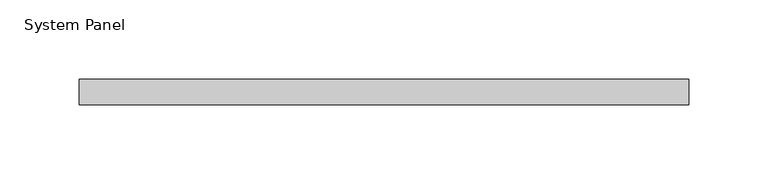
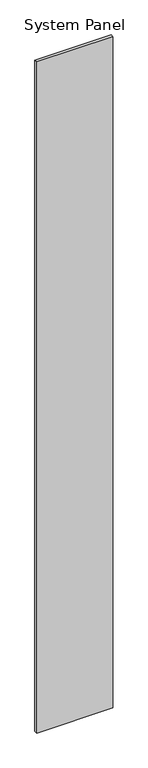
"""IFC4 building model written with IfcOpenShell, lengths in millimetres: plate geometry, System Panel."""

from ifc_helpers import new_model, si_unit, origin, origin_with_axes, place, context, project, spatial, polyline, outline, extrude, source, transform, mapped, element, save


def system_panel_053c1ff5(model_context):
    return source(origin(), model_context, "Body", "SweptSolid", [
        extrude(outline(polyline([(192.5, -8.0), (-192.5, -8.0), (-192.5, 8.0), (192.5, 8.0), (192.5, -8.0)])), origin_with_axes(), (0.0, 0.0, 1.0), 3585.0),
    ])


if __name__ == "__main__":
    model = new_model("IFC4")
    model_context = context("Model", 3, world=origin())
    ifc_project = project(units=[si_unit("LENGTHUNIT", "METRE", prefix="MILLI")], contexts=[model_context])
    site = spatial("IfcSite", under=ifc_project)
    building = spatial("IfcBuilding", under=site)
    placement = place(None, origin())
    system_panel_shape = system_panel_053c1ff5(model_context)
    element("IfcPlate", 1, ObjectType="System Panel", at=placement, inside=building, context=model_context, shape_type="MappedRepresentation", body=[
        mapped(system_panel_shape, transform((0.0, 0.0, 0.0), x_axis=(1.0, 0.0, 0.0), y_axis=(0.0, 1.0, 0.0), z_axis=(0.0, 0.0, 1.0))),
    ])
    save(model, "model.ifc")
